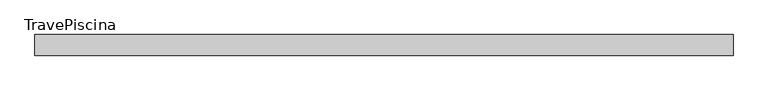
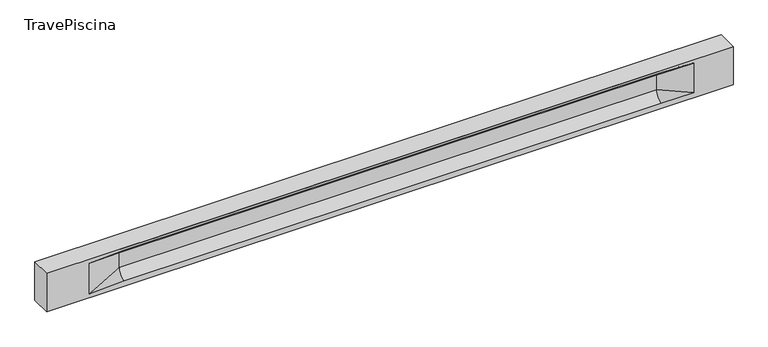
"""IFC4 building model written with IfcOpenShell, lengths in millimetres: beam geometry, TravePiscina."""

from ifc_helpers import new_model, si_unit, frame, origin, place, context, project, spatial, polyline, circle_curve, source, transform, mapped, element, save
from ifc_brep_helpers import plane_surface, revolved_surface, spline_surface, advanced_brep


def travepiscina_a92f7f84(model_context):
    return source(origin(), model_context, "Body", "AdvancedBrep", [
        advanced_brep(
        [(8462.5, -250.0, 500.0), (8462.5, -250.0, -500.0), (8462.5, 250.0, -500.0), (8462.5, 250.0, 500.0), (-8462.5, -250.0, 500.0), (-8462.5, -250.0, -500.0), (7487.5, -250.0, -362.0), (6687.5, -250.0, -360.0), (-6562.5, -250.0, -360.0), (-7412.5, -250.0, -400.0), (-7412.5, -250.0, 400.0), (-6562.5, -250.0, 435.0), (6687.5, -250.0, 435.0), (7487.5, -250.0, 400.0), (-8462.5, 250.0, -500.0), (-8462.5, 250.0, 500.0), (7487.5, 250.0, 400.0), (6687.5, 250.0, 435.0), (-6562.5, 250.0, 435.0), (-7412.5, 250.0, 400.0), (-7412.5, 250.0, -400.0), (-6562.5, 250.0, -360.0), (6687.5, 250.0, -360.0), (7487.5, 250.0, -362.0), (6687.5, 155.0, 405.0), (-6562.5, 155.0, 405.0), (-6562.5, -60.0, 262.777021), (6687.5, -60.0, 262.777021), (6687.5, -155.0, 405.0), (-6562.5, -155.0, 405.0), (-6562.5, 60.0, 262.777021), (6687.5, 60.0, 262.777021), (6687.5, 60.0, -120.0), (-6562.5, 60.0, -120.0), (-6562.5, -60.0, -120.0), (6687.5, -60.0, -120.0)],
        [
            (0, 1),
            (1, 2),
            (2, 3),
            (3, 0),
            (0, 4),
            (4, 5),
            (5, 1),
            (6, 7),
            (7, 8),
            (8, 9),
            (9, 10),
            (10, 11),
            (11, 12),
            (12, 13),
            (13, 6),
            (5, 14),
            (14, 2),
            (14, 15),
            (15, 3),
            (16, 17),
            (17, 18),
            (18, 19),
            (19, 20),
            (20, 21),
            (21, 22),
            (22, 23),
            (23, 16),
            (15, 4),
            (17, 24),
            (24, 25),
            (25, 18),
            (26, 27),
            (27, 28, circle_curve(frame((6687.5, -213.9598725, 262.777021), z_axis=(1.0, 0.0, 0.0), x_axis=(0.0, 1.0, 0.0)), 153.9598725)),
            (28, 29),
            (29, 26, circle_curve(frame((-6562.5, -213.9598725, 262.777021), z_axis=(-1.0, 0.0, 0.0), x_axis=(0.0, 1.0, 0.0)), 153.9598725)),
            (30, 31),
            (31, 32),
            (32, 33),
            (33, 30),
            (28, 12),
            (11, 29),
            (34, 35),
            (35, 27),
            (26, 34),
            (25, 19),
            (22, 32, circle_curve(frame((6687.5, 306.5789474, -120.0), z_axis=(-1.0, 0.0, 0.0), x_axis=(0.0, 1.0, 0.0)), 246.5789474)),
            (32, 23),
            (10, 29),
            (10, 26),
            (13, 28),
            (27, 13),
            (30, 19),
            (25, 30, circle_curve(frame((-6562.5, 213.9598725, 262.777021), z_axis=(1.0, 0.0, 0.0), x_axis=(0.0, 1.0, 0.0)), 153.9598725)),
            (9, 34),
            (8, 34, circle_curve(frame((-6562.5, -306.5789474, -120.0), z_axis=(1.0, 0.0, 0.0), x_axis=(0.0, 1.0, 0.0)), 246.5789474)),
            (20, 33),
            (33, 21, circle_curve(frame((-6562.5, 306.5789474, -120.0), z_axis=(1.0, 0.0, 0.0), x_axis=(0.0, 1.0, 0.0)), 246.5789474)),
            (35, 6),
            (35, 7, circle_curve(frame((6687.5, -306.5789474, -120.0), z_axis=(-1.0, 0.0, 0.0), x_axis=(0.0, 1.0, 0.0)), 246.5789474)),
            (31, 16),
            (31, 24, circle_curve(frame((6687.5, 213.9598725, 262.777021), z_axis=(-1.0, 0.0, 0.0), x_axis=(0.0, 1.0, 0.0)), 153.9598725)),
            (24, 16),
        ],
        [
            plane_surface(frame((8462.5, 0.0, 0.0), z_axis=(1.0, 0.0, 0.0), x_axis=(0.0, 0.0, 1.0))),
            plane_surface(frame((8462.5, -250.0, 500.0), z_axis=(0.0, -1.0, 0.0), x_axis=(-1.0, 0.0, 0.0))),
            plane_surface(frame((8462.5, -250.0, -500.0), z_axis=(0.0, 0.0, -1.0), x_axis=(-1.0, 0.0, 0.0))),
            plane_surface(frame((8462.5, 250.0, -500.0), z_axis=(0.0, 1.0, 0.0), x_axis=(-1.0, 0.0, 0.0))),
            plane_surface(frame((8462.5, 250.0, 500.0), z_axis=(0.0, 0.0, 1.0), x_axis=(-1.0, 0.0, 0.0))),
            plane_surface(frame((-6562.5, 250.0, 435.0), z_axis=(0.0, 0.30113136793710954, -0.9535826651341378), x_axis=(1.0, 0.0, 0.0))),
            plane_surface(frame((-8462.5, 0.0, 0.0), z_axis=(-1.0, 0.0, 0.0), x_axis=(0.0, 0.0, 1.0))),
            revolved_surface(polyline([(6687.5, -60.0, 262.777021), (-6562.5, -60.0, 262.777021)]), (-6562.5, -213.9598725, 262.777021), (1.0, 0.0, 0.0)),
            plane_surface(frame((-6562.5, 60.0, 262.777021), z_axis=(0.0, 1.0, 0.0), x_axis=(1.0, 0.0, 0.0))),
            plane_surface(frame((-6562.5, -155.0, 405.0), z_axis=(0.0, -0.30113136793710693, -0.9535826651341387), x_axis=(1.0, 0.0, 0.0))),
            plane_surface(frame((-6562.5, -60.0, -120.0), z_axis=(0.0, -1.0, 0.0), x_axis=(1.0, 0.0, 0.0))),
            plane_surface(frame((-7412.5, 250.0, 400.0), z_axis=(0.03923493491469425, 0.30089950084952793, -0.9528484193567961), x_axis=(0.0, 0.9535826651341378, 0.30113136793710954))),
            spline_surface(2, 1, [[(6687.5, 250.0, -360.0), (7487.5, 250.0, -362.0)], [(6687.5, 60.00000002887427, -315.20833329480604), (7487.5, 250.0, -362.0)], [(6687.5, 60.0, -120.0), (7487.5, 250.0, -362.0)]], [3, 3], [2, 2], [0.0, 1.0], [0.0, 1.0], weights=[[1.0, 1.0], [0.7840458245391329, 0.7840458245391329], [1.0, 1.0]]),
            plane_surface(frame((-7412.5, -250.0, 400.0), z_axis=(0.03923493491469428, -0.3008995008495253, -0.952848419356797), x_axis=(0.0, 0.9535826651341387, -0.30113136793710693))),
            spline_surface(2, 1, [[(-7412.5, -250.0, 400.0), (-6562.5, -155.0, 405.0)], [(-7412.5, -250.0, 400.0), (-6562.5, -60.00000008030692, 365.6168572114734)], [(-7412.5, -250.0, 400.0), (-6562.5, -60.0, 262.777021)]], [3, 3], [2, 2], [0.0, 1.0], [0.0, 1.0], weights=[[1.0, 1.0], [0.8315515924557569, 0.8315515924557569], [1.0, 1.0]]),
            spline_surface(2, 1, [[(6687.5, -155.0, 405.0), (7487.5, -250.0, 400.0)], [(6687.5, -60.00000008030692, 365.6168572114734), (7487.5, -250.0, 400.0)], [(6687.5, -60.0, 262.777021), (7487.5, -250.0, 400.0)]], [3, 3], [2, 2], [0.0, 1.0], [0.0, 1.0], weights=[[1.0, 1.0], [0.8315515924557569, 0.8315515924557569], [1.0, 1.0]]),
            plane_surface(frame((6687.5, -202.5, 420.0), z_axis=(-0.041682982855687396, -0.30086965068766125, -0.9527538938442274), x_axis=(0.0, 0.9535826651341387, -0.30113136793710693))),
            spline_surface(2, 1, [[(-7412.5, 250.0, 400.0), (-6562.5, 60.0, 262.777021)], [(-7412.5, 250.0, 400.0), (-6562.5, 59.99999995452379, 365.6168572954922)], [(-7412.5, 250.0, 400.0), (-6562.5, 155.0, 405.0)]], [3, 3], [2, 2], [0.0, 1.0], [0.0, 1.0], weights=[[1.0, 1.0], [0.8315515921160737, 0.8315515921160737], [1.0, 1.0]]),
            plane_surface(frame((-7412.5, -250.0, 0.0), z_axis=(0.21814596370705175, -0.9759161534262673, 0.0), x_axis=(0.0, 0.0, -1.0))),
            spline_surface(2, 1, [[(-7412.5, -250.0, -400.0), (-6562.5, -60.0, -120.0)], [(-7412.5, -250.0, -400.0), (-6562.5, -59.99999998020837, -315.20833333333337)], [(-7412.5, -250.0, -400.0), (-6562.5, -250.0, -360.0)]], [3, 3], [2, 2], [0.0, 1.0], [0.0, 1.0], weights=[[1.0, 1.0], [0.7840458244617614, 0.7840458244617614], [1.0, 1.0]]),
            spline_surface(2, 1, [[(-7412.5, 250.0, -400.0), (-6562.5, 250.0, -360.0)], [(-7412.5, 250.0, -400.0), (-6562.5, 60.00000002887427, -315.20833329480604)], [(-7412.5, 250.0, -400.0), (-6562.5, 60.0, -120.0)]], [3, 3], [2, 2], [0.0, 1.0], [0.0, 1.0], weights=[[1.0, 1.0], [0.7840458245391329, 0.7840458245391329], [1.0, 1.0]]),
            plane_surface(frame((-7412.5, 250.0, 0.0), z_axis=(0.2181459637070477, 0.9759161534262683, 0.0), x_axis=(0.0, 0.0, 1.0))),
            plane_surface(frame((6687.5, -60.0, 71.3885105), z_axis=(-0.23107243079589707, -0.9729365507195603, 0.0), x_axis=(0.0, 0.0, -1.0))),
            spline_surface(2, 1, [[(6687.5, -60.0, -120.0), (7487.5, -250.0, -362.0)], [(6687.5, -59.99999998020837, -315.20833333333337), (7487.5, -250.0, -362.0)], [(6687.5, -250.0, -360.0), (7487.5, -250.0, -362.0)]], [3, 3], [2, 2], [0.0, 1.0], [0.0, 1.0], weights=[[1.0, 1.0], [0.7840458244617614, 0.7840458244617614], [1.0, 1.0]]),
            plane_surface(frame((6687.5, 60.0, 71.3885105), z_axis=(-0.23107243079589063, 0.9729365507195618, 0.0), x_axis=(0.0, 0.0, 1.0))),
            spline_surface(2, 1, [[(6687.5, 60.0, 262.777021), (7487.5, 250.0, 400.0)], [(6687.5, 59.99999995452379, 365.6168572954922), (7487.5, 250.0, 400.0)], [(6687.5, 155.0, 405.0), (7487.5, 250.0, 400.0)]], [3, 3], [2, 2], [0.0, 1.0], [0.0, 1.0], weights=[[1.0, 1.0], [0.8315515921160737, 0.8315515921160737], [1.0, 1.0]]),
            plane_surface(frame((6687.5, 202.5, 420.0), z_axis=(-0.04168298285568666, 0.30086965068766386, -0.9527538938442265), x_axis=(0.0, 0.9535826651341378, 0.30113136793710954))),
            revolved_surface(polyline([(6687.5, 367.919745, 262.777021), (-6562.5, 367.919745, 262.777021)]), (-6562.5, 213.9598725, 262.777021), (1.0, 0.0, 0.0)),
            revolved_surface(polyline([(6687.5, 553.1578948, -120.0), (-6562.5, 553.1578948, -120.0)]), (-6562.5, 306.5789474, -120.0), (1.0, 0.0, 0.0)),
            revolved_surface(polyline([(6687.5, -60.0, -120.0), (-6562.5, -60.0, -120.0)]), (-6562.5, -306.5789474, -120.0), (1.0, 0.0, 0.0)),
        ],
        [
            (0, [[1, 2, 3, 4]]),
            (1, [[-1, 5, 6, 7], [8, 9, 10, 11, 12, 13, 14, 15]]),
            (2, [[-2, -7, 16, 17]]),
            (3, [[-3, -17, 18, 19], [20, 21, 22, 23, 24, 25, 26, 27]]),
            (4, [[-5, -4, -19, 28]]),
            (5, [[-21, 29, 30, 31]]),
            (6, [[-28, -18, -16, -6]]),
            (7, [[32, 33, 34, 35]]),
            (8, [[36, 37, 38, 39]]),
            (9, [[-34, 40, -13, 41]]),
            (10, [[42, 43, -32, 44]]),
            (11, [[45, -22, -31]]),
            (12, [[-26, 46, 47]]),
            (13, [[-12, 48, -41]]),
            (14, [[-48, 49, -35]]),
            (15, [[50, -33, 51]]),
            (16, [[-14, -40, -50]]),
            (17, [[52, -45, 53]]),
            (18, [[-49, -11, 54, -44]]),
            (19, [[-54, -10, 55]]),
            (20, [[-24, 56, 57]]),
            (21, [[-52, -39, -56, -23]]),
            (22, [[-51, -43, 58, -15]]),
            (23, [[-58, 59, -8]]),
            (24, [[-47, -37, 60, -27]]),
            (25, [[-60, 61, 62]]),
            (26, [[-62, -29, -20]]),
            (27, [[-30, -61, -36, -53]]),
            (28, [[-38, -46, -25, -57]]),
            (29, [[-9, -59, -42, -55]]),
        ],
    ),
    ])


if __name__ == "__main__":
    model = new_model("IFC4")
    model_context = context("Model", 3, world=origin())
    ifc_project = project(units=[si_unit("LENGTHUNIT", "METRE", prefix="MILLI")], contexts=[model_context])
    site = spatial("IfcSite", under=ifc_project)
    building = spatial("IfcBuilding", under=site)
    placement = place(None, origin())
    travepiscina_shape = travepiscina_a92f7f84(model_context)
    element("IfcBeam", 1, ObjectType="TravePiscina", at=placement, inside=building, context=model_context, shape_type="MappedRepresentation", body=[
        mapped(travepiscina_shape, transform((0.0, 0.0, 0.0), x_axis=(1.0, 0.0, 0.0), y_axis=(0.0, 1.0, 0.0), z_axis=(0.0, 0.0, 1.0))),
    ])
    save(model, "model.ifc")
